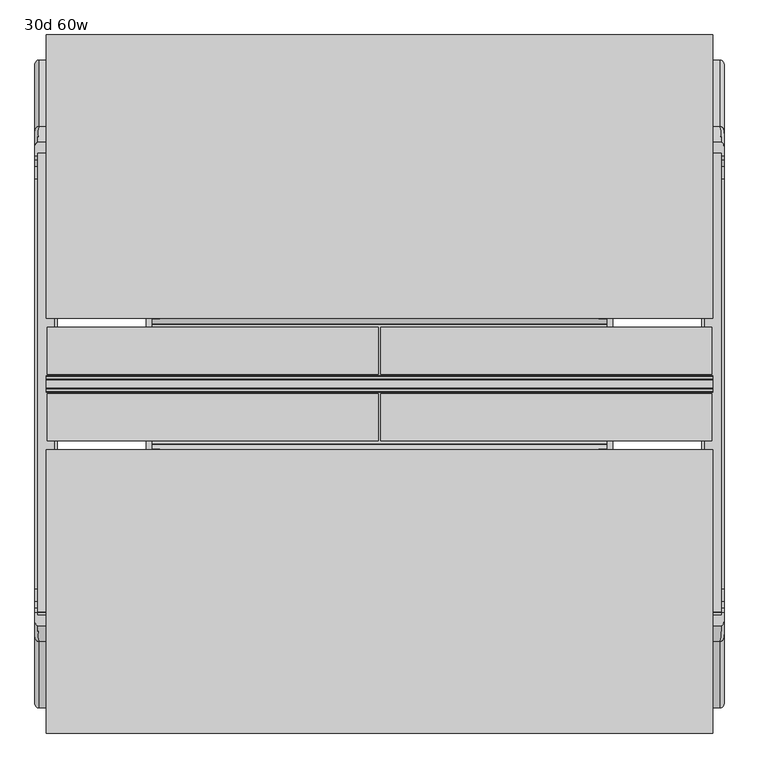
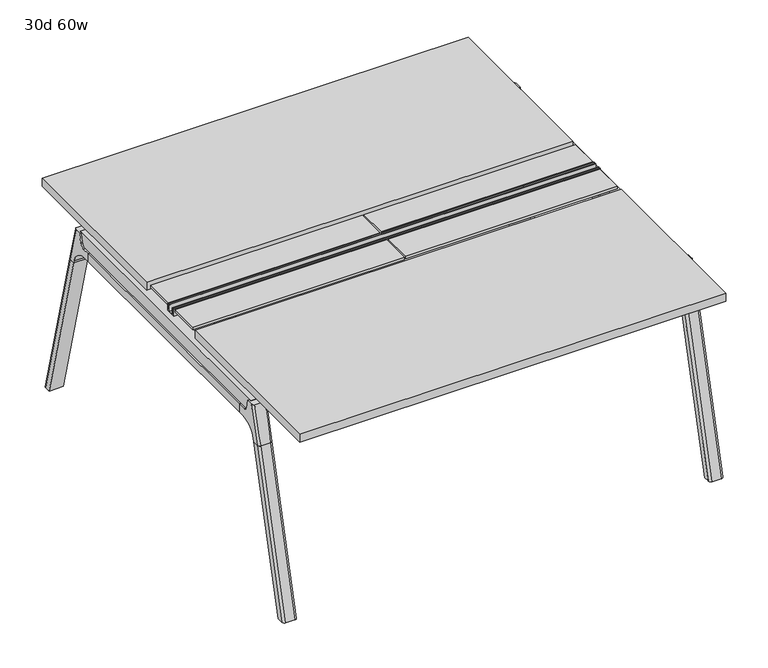
"""IFC4 building model written with IfcOpenShell, lengths in millimetres: furniture geometry, 30d 60w."""

from ifc_helpers import new_model, si_unit, point, frame, frame_2d, origin, place, context, project, spatial, polyline, circle_curve, ellipse_curve, trimmed, segment, composite_curve, outline, extrude, source, transform, mapped, element, save
from ifc_brep_helpers import plane_surface, cylinder_surface, revolved_surface, advanced_brep


def furniture_30d_60w_b16fc37e(model_context):
    return source(origin(), model_context, "Body", "SolidModel", [
        extrude(outline(polyline([(-348.9784469, 559.4636683), (-364.040663, 627.7843353), (-35.4662901, 627.7843353), (-50.5285062, 559.4636683), (-46.7502281, 557.2647146), (-46.7502281, 549.3667827), (-62.6252238, 521.8704736), (-336.8817293, 521.8704736), (-352.756725, 549.3667827), (-352.756725, 557.2647146), (-348.9784469, 559.4636683)])), frame((736.6, 0.0, 0.0), z_axis=(1.0, 0.0, 0.0), x_axis=(0.0, 1.0, 0.0)), (0.0, 0.0, 1.0), 12.7),
        extrude(outline(polyline([(-348.9784469, 559.4636683), (-364.040663, 627.7843353), (-35.4662901, 627.7843353), (-50.5285062, 559.4636683), (-46.7502281, 557.2647146), (-46.7502281, 549.3667827), (-62.6252238, 521.8704736), (-336.8817293, 521.8704736), (-352.756725, 549.3667827), (-352.756725, 557.2647146), (-348.9784469, 559.4636683)])), frame((-317.5, 0.0, 0.0), z_axis=(1.0, 0.0, 0.0), x_axis=(0.0, 1.0, 0.0)), (0.0, 0.0, 1.0), 12.7),
        extrude(outline(polyline([(-18.0090763, 698.5), (3.7767266, 698.5), (3.7767266, 697.2935087), (-17.4495292, 697.2935087), (-19.0070753, 695.7359626), (-49.1186716, 559.1528512), (-50.5285062, 559.4636683), (-20.404074, 696.1050023), (-18.0090763, 698.5)])), frame((-317.5, 0.0, 0.0), z_axis=(1.0, 0.0, 0.0), x_axis=(0.0, 1.0, 0.0)), (0.0, 0.0, 1.0), 31.8008024),
        extrude(outline(polyline([(-381.4978768, 698.5), (-379.1028791, 696.1050023), (-348.9784469, 559.4636683), (-350.3882815, 559.1528512), (-380.4998778, 695.7359626), (-382.0574239, 697.2935087), (-403.2836797, 697.2935087), (-403.2836797, 698.5), (-381.4978768, 698.5)])), frame((-317.5, 0.0, 0.0), z_axis=(1.0, 0.0, 0.0), x_axis=(0.0, 1.0, 0.0)), (0.0, 0.0, 1.0), 31.8008024),
        extrude(outline(polyline([(-18.0090763, 698.5), (3.7767266, 698.5), (3.7767266, 697.2935087), (-17.4495292, 697.2935087), (-19.0070753, 695.7359626), (-49.1186716, 559.1528512), (-50.5285062, 559.4636683), (-20.404074, 696.1050023), (-18.0090763, 698.5)])), frame((717.4991976, 0.0, 0.0), z_axis=(1.0, 0.0, 0.0), x_axis=(0.0, 1.0, 0.0)), (0.0, 0.0, 1.0), 31.8008024),
        extrude(outline(polyline([(-381.4978768, 698.5), (-379.1028791, 696.1050023), (-348.9784469, 559.4636683), (-350.3882815, 559.1528512), (-380.4998778, 695.7359626), (-382.0574239, 697.2935087), (-403.2836797, 697.2935087), (-403.2836797, 698.5), (-381.4978768, 698.5)])), frame((717.4991976, 0.0, 0.0), z_axis=(1.0, 0.0, 0.0), x_axis=(0.0, 1.0, 0.0)), (0.0, 0.0, 1.0), 31.8008024),
        extrude(outline(polyline([(-353.550475, 557.5934966), (-351.518477, 559.6254947), (-350.957211, 559.0642287), (-352.756725, 557.2647146), (-352.756725, 549.3667827), (-352.5317745, 548.5272622), (-337.4390802, 522.3859395), (-336.0037101, 521.5572272), (-63.503243, 521.5572272), (-62.0678729, 522.3859395), (-46.9751786, 548.5272622), (-46.7502281, 549.3667827), (-46.7502281, 557.2647146), (-48.5497421, 559.0642287), (-47.9884761, 559.6254947), (-45.9564781, 557.5934966), (-45.9564781, 549.2622828), (-46.2355217, 548.2208856), (-61.4868074, 521.8048744), (-63.2905581, 520.7634772), (-336.216395, 520.7634772), (-338.0201457, 521.8048744), (-353.2714314, 548.2208856), (-353.550475, 549.2622828), (-353.550475, 557.5934966)])), frame((-317.4492037, 0.0, 0.0), z_axis=(1.0, 0.0, 0.0), x_axis=(0.0, 1.0, 0.0)), (0.0, 0.0, 1.0), 1066.7492037),
        extrude(outline(polyline([(-218.8034766, 715.9625), (-218.8034766, 741.3625), (-217.2159766, 741.3625), (-217.2159766, 720.725), (-210.8659766, 720.725), (-210.8659766, 741.3625), (-209.2784766, 741.3625), (-209.2784766, 717.55), (-190.2284766, 717.55), (-190.2284766, 741.3625), (-188.6409766, 741.3625), (-188.6409766, 720.725), (-182.2909766, 720.725), (-182.2909766, 741.3625), (-180.7034766, 741.3625), (-180.7034766, 715.9625), (-218.8034766, 715.9625)])), frame((-546.1, 0.0, 0.0), z_axis=(1.0, 0.0, 0.0), x_axis=(0.0, 1.0, 0.0)), (0.0, 0.0, 1.0), 1524.0),
        extrude(outline(composite_curve([segment(polyline([(328.0902734, 711.2), (319.0321726, 677.3947076)]), True, "CONTINUOUS"), segment(trimmed(circle_curve(frame_2d((303.6981001, 681.5034599)), 15.875), [point((319.0321726, 677.3947076))], [point((303.6981001, 665.6284599))], False, "CARTESIAN"), True, "CONTINUOUS"), segment(polyline([(303.6981001, 665.6284599), (-703.2050533, 665.6284599)]), True, "CONTINUOUS"), segment(trimmed(circle_curve(frame_2d((-703.2050533, 681.5034599)), 15.875), [point((-703.2050533, 665.6284599))], [point((-718.5391258, 677.3947076))], False, "CARTESIAN"), True, "CONTINUOUS"), segment(polyline([(-718.5391258, 677.3947076), (-727.5972266, 711.2), (328.0902734, 711.2)]), True, "CONTINUOUS")], self_intersect=False)), frame((958.85, 0.0, 0.0), z_axis=(1.0, 0.0, 0.0), x_axis=(0.0, 1.0, 0.0)), (0.0, 0.0, 1.0), 38.1),
        extrude(outline(polyline([(1003.3, 267.7652734), (1003.3, -667.2722266), (952.5, -667.2722266), (952.5, 267.7652734), (1003.3, 267.7652734)])), frame((0.0, 0.0, 635.6476591), z_axis=(0.0, 0.0, 1.0), x_axis=(1.0, 0.0, 0.0)), (0.0, 0.0, 1.0), 29.9808008),
        extrude(outline(composite_curve([segment(polyline([(328.0902734, 711.2), (319.0321726, 677.3947076)]), True, "CONTINUOUS"), segment(trimmed(circle_curve(frame_2d((303.6981001, 681.5034599)), 15.875), [point((319.0321726, 677.3947076))], [point((303.6981001, 665.6284599))], False, "CARTESIAN"), True, "CONTINUOUS"), segment(polyline([(303.6981001, 665.6284599), (-703.2050533, 665.6284599)]), True, "CONTINUOUS"), segment(trimmed(circle_curve(frame_2d((-703.2050533, 681.5034599)), 15.875), [point((-703.2050533, 665.6284599))], [point((-718.5391258, 677.3947076))], False, "CARTESIAN"), True, "CONTINUOUS"), segment(polyline([(-718.5391258, 677.3947076), (-727.5972266, 711.2), (328.0902734, 711.2)]), True, "CONTINUOUS")], self_intersect=False)), frame((-565.15, 0.0, 0.0), z_axis=(1.0, 0.0, 0.0), x_axis=(0.0, 1.0, 0.0)), (0.0, 0.0, 1.0), 38.1),
        extrude(outline(polyline([(-520.7, 267.7652734), (-520.7, -667.2722266), (-571.5, -667.2722266), (-571.5, 267.7652734), (-520.7, 267.7652734)])), frame((0.0, 0.0, 635.6476591), z_axis=(0.0, 0.0, 1.0), x_axis=(1.0, 0.0, 0.0)), (0.0, 0.0, 1.0), 29.9808008),
        advanced_brep(
        [(952.5, -721.2935553, 711.2), (952.5, -712.2354545, 677.3947076), (952.5, -696.901382, 665.6284599), (952.5, -667.2722266, 665.6284599), (952.5, -667.2722266, 635.6476591), (952.5, -690.1434588, 635.6476591), (952.5, -754.5465633, 586.2294189), (952.5, -757.1047754, 576.6820411), (952.5, -778.2087453, 576.6820411), (952.5, -742.7601017, 711.2), (1003.3, -757.1047754, 576.6820411), (1003.3, -754.5465633, 586.2294189), (1003.3, -690.1434588, 635.6476591), (1003.3, -667.2722266, 635.6476591), (1003.3, -667.2722266, 665.6284599), (1003.3, -696.901382, 665.6284599), (1003.3, -712.2354545, 677.3947076), (1003.3, -721.2935553, 711.2), (1003.3, -742.7601017, 711.2), (1003.3, -778.2087453, 576.6820411), (958.7638162, -752.0149462, 711.2), (997.0361838, -752.0149462, 711.2), (993.775, -788.0589247, 576.6820411), (962.025, -788.0589247, 576.6820411)],
        [
            (0, 1),
            (1, 2, circle_curve(frame((952.5, -696.901382, 681.5034599), z_axis=(1.0, 0.0, 0.0), x_axis=(0.0, -1.0, 0.0)), 15.875)),
            (2, 3),
            (3, 4),
            (4, 5),
            (5, 6, circle_curve(frame((952.5, -690.1434588, 568.9726591), z_axis=(1.0, 0.0, 0.0), x_axis=(0.0, -1.0, 0.0)), 66.675)),
            (6, 7),
            (7, 8),
            (8, 9),
            (9, 0),
            (10, 11),
            (11, 12, circle_curve(frame((1003.3, -690.1434588, 568.9726591), z_axis=(-1.0, 0.0, 0.0), x_axis=(0.0, -1.0, 0.0)), 66.675)),
            (12, 13),
            (13, 14),
            (14, 15),
            (15, 16, circle_curve(frame((1003.3, -696.901382, 681.5034599), z_axis=(-1.0, 0.0, 0.0), x_axis=(0.0, -1.0, 0.0)), 15.875)),
            (16, 17),
            (17, 18),
            (18, 19),
            (19, 10),
            (17, 0),
            (9, 20, ellipse_curve(frame((962.025, -742.7601017, 711.2), z_axis=(0.0, 0.0, 1.0), x_axis=(0.0, -1.0, 0.0)), 9.8501793, 9.525)),
            (20, 21),
            (21, 18, ellipse_curve(frame((993.775, -742.7601017, 711.2), z_axis=(0.0, 0.0, 1.0), x_axis=(0.0, -1.0, 0.0)), 9.8501793, 9.525)),
            (16, 1),
            (15, 2),
            (14, 3),
            (13, 4),
            (12, 5),
            (11, 6),
            (10, 7),
            (19, 22, ellipse_curve(frame((993.775, -778.2087453, 576.6820411), z_axis=(0.0, 0.0, -1.0), x_axis=(0.0, -1.0, 0.0)), 9.8501793, 9.525)),
            (22, 23),
            (23, 8, ellipse_curve(frame((962.025, -778.2087453, 576.6820411), z_axis=(0.0, 0.0, -1.0), x_axis=(0.0, -1.0, 0.0)), 9.8501793, 9.525)),
            (20, 23, ellipse_curve(frame((962.025, -191.6892106, 2802.3641142), z_axis=(0.0, -0.9659258262890684, 0.2588190451025206), x_axis=(0.0, -0.2588190451025206, -0.9659258262890684)), 2304.1956354, 9.525)),
            (22, 21, ellipse_curve(frame((993.775, -191.6892106, 2802.3641142), z_axis=(0.0, -0.9659258262890684, 0.2588190451025206), x_axis=(0.0, -0.2588190451025206, -0.9659258262890684)), 2304.1956354, 9.525)),
        ],
        [
            plane_surface(frame((952.5, -752.0149462, 711.2), z_axis=(-1.0, 0.0, 0.0), x_axis=(0.0, 1.0, 0.0))),
            plane_surface(frame((1003.3, -752.0149462, 711.2), z_axis=(1.0, 0.0, 0.0), x_axis=(0.0, -1.0, 0.0))),
            plane_surface(frame((952.5, -752.0149462, 711.2), z_axis=(0.0, 0.0, 1.0), x_axis=(1.0, 0.0, 0.0))),
            plane_surface(frame((952.5, -721.2935553, 711.2), z_axis=(0.0, 0.9659258262890683, 0.2588190451025207), x_axis=(1.0, 0.0, 0.0))),
            revolved_surface(polyline([(1003.3, -712.776382, 681.5034599), (952.5, -712.776382, 681.5034599)]), (1003.3, -696.901382, 681.5034599), (1.0, 0.0, 0.0)),
            plane_surface(frame((952.5, -696.901382, 665.6284599), z_axis=(0.0, 0.0, 1.0), x_axis=(1.0, 0.0, 0.0))),
            plane_surface(frame((952.5, -667.2722266, 665.6284599), z_axis=(0.0, 1.0, 0.0), x_axis=(1.0, 0.0, 0.0))),
            plane_surface(frame((952.5, -667.2722266, 635.6476591), z_axis=(0.0, 0.0, -1.0), x_axis=(1.0, 0.0, 0.0))),
            revolved_surface(polyline([(1003.3, -756.8184587999999, 568.9726591), (952.5, -756.8184587999999, 568.9726591)]), (1003.3, -690.1434588, 568.9726591), (1.0, 0.0, 0.0)),
            plane_surface(frame((952.5, -754.5465633, 586.2294189), z_axis=(0.0, 0.9659258262890693, -0.25881904510251696), x_axis=(1.0, 0.0, 0.0))),
            plane_surface(frame((952.5, -757.1047754, 576.6820411), z_axis=(0.0, 0.0, -1.0), x_axis=(1.0, 0.0, 0.0))),
            plane_surface(frame((952.5, -788.0589247, 576.6820411), z_axis=(0.0, -0.9659258262890684, 0.2588190451025206), x_axis=(1.0, 0.0, 0.0))),
            cylinder_surface(frame((962.025, -930.8176402, -2.4271979), z_axis=(0.0, -0.25482392474081483, -0.966987470125486), x_axis=(1.0, 0.0, 0.0)), 9.525),
            cylinder_surface(frame((993.775, -930.8176402, -2.4271979), z_axis=(0.0, -0.25482392474081483, -0.966987470125486), x_axis=(1.0, 0.0, 0.0)), 9.525),
        ],
        [
            (0, [[1, 2, 3, 4, 5, 6, 7, 8, 9, 10]]),
            (1, [[11, 12, 13, 14, 15, 16, 17, 18, 19, 20]]),
            (2, [[21, -10, 22, 23, 24, -18]]),
            (3, [[-1, -21, -17, 25]]),
            (4, [[-2, -25, -16, 26]]),
            (5, [[-3, -26, -15, 27]]),
            (6, [[-4, -27, -14, 28]]),
            (7, [[-5, -28, -13, 29]]),
            (8, [[-6, -29, -12, 30]]),
            (9, [[-7, -30, -11, 31]]),
            (10, [[-31, -20, 32, 33, 34, -8]]),
            (11, [[-23, 35, -33, 36]]),
            (12, [[-9, -34, -35, -22]]),
            (13, [[-19, -24, -36, -32]]),
        ],
    ),
        advanced_brep(
        [(952.5, -757.1047754, 576.6820411), (952.5, -909.0740466, 0.0), (952.5, -930.1780165, 0.0), (952.5, -778.2087453, 576.6820411), (1003.3, -909.0740466, 0.0), (1003.3, -757.1047754, 576.6820411), (1003.3, -778.2087453, 576.6820411), (1003.3, -930.1780165, 0.0), (962.025, -788.0589247, 576.6820411), (993.775, -788.0589247, 576.6820411), (993.775, -940.0281958, 0.0), (962.025, -940.0281958, 0.0)],
        [
            (0, 1),
            (1, 2),
            (2, 3),
            (3, 0),
            (4, 5),
            (5, 6),
            (6, 7),
            (7, 4),
            (5, 0),
            (3, 8, ellipse_curve(frame((962.025, -778.2087453, 576.6820411), z_axis=(0.0, 0.0, 1.0), x_axis=(0.0, -1.0, 0.0)), 9.8501793, 9.525)),
            (8, 9),
            (9, 6, ellipse_curve(frame((993.775, -778.2087453, 576.6820411), z_axis=(0.0, 0.0, 1.0), x_axis=(0.0, -1.0, 0.0)), 9.8501793, 9.525)),
            (4, 1),
            (7, 10, ellipse_curve(frame((993.775, -930.1780165, 0.0), z_axis=(0.0, 0.0, -1.0), x_axis=(0.0, -1.0, 0.0)), 9.8501793, 9.525)),
            (10, 11),
            (11, 2, ellipse_curve(frame((962.025, -930.1780165, 0.0), z_axis=(0.0, 0.0, -1.0), x_axis=(0.0, -1.0, 0.0)), 9.8501793, 9.525)),
            (8, 11),
            (10, 9),
        ],
        [
            plane_surface(frame((952.5, -788.0589247, 576.6820411), z_axis=(-1.0, 0.0, 0.0), x_axis=(0.0, 1.0, 0.0))),
            plane_surface(frame((1003.3, -788.0589247, 576.6820411), z_axis=(1.0, 0.0, 0.0), x_axis=(0.0, -1.0, 0.0))),
            plane_surface(frame((952.5, -788.0589247, 576.6820411), z_axis=(0.0, 0.0, 1.0), x_axis=(1.0, 0.0, 0.0))),
            plane_surface(frame((952.5, -757.1047754, 576.6820411), z_axis=(0.0, 0.9669874701254844, -0.2548239247408208), x_axis=(1.0, 0.0, 0.0))),
            plane_surface(frame((952.5, -909.0740466, 0.0), z_axis=(0.0, 0.0, -1.0), x_axis=(1.0, 0.0, 0.0))),
            plane_surface(frame((952.5, -940.0281958, 0.0), z_axis=(0.0, -0.9669874701254855, 0.2548239247408166), x_axis=(1.0, 0.0, 0.0))),
            cylinder_surface(frame((962.025, -930.8176402, -2.4271979), z_axis=(0.0, -0.25482392474081483, -0.966987470125486), x_axis=(1.0, 0.0, 0.0)), 9.525),
            cylinder_surface(frame((993.775, -930.8176402, -2.4271979), z_axis=(0.0, -0.25482392474081483, -0.966987470125486), x_axis=(1.0, 0.0, 0.0)), 9.525),
        ],
        [
            (0, [[1, 2, 3, 4]]),
            (1, [[5, 6, 7, 8]]),
            (2, [[9, -4, 10, 11, 12, -6]]),
            (3, [[-1, -9, -5, 13]]),
            (4, [[-13, -8, 14, 15, 16, -2]]),
            (5, [[-11, 17, -15, 18]]),
            (6, [[-3, -16, -17, -10]]),
            (7, [[-7, -12, -18, -14]]),
        ],
    ),
        advanced_brep(
        [(1003.3, 321.7866022, 711.2), (1003.3, 312.7285014, 677.3947076), (1003.3, 297.3944289, 665.6284599), (1003.3, 267.7652734, 665.6284599), (1003.3, 267.7652734, 635.6476591), (1003.3, 290.6365057, 635.6476591), (1003.3, 355.0396101, 586.2294189), (1003.3, 357.5978223, 576.6820411), (1003.3, 378.7017922, 576.6820411), (1003.3, 343.2531486, 711.2), (952.5, 357.5978223, 576.6820411), (952.5, 355.0396101, 586.2294189), (952.5, 290.6365057, 635.6476591), (952.5, 267.7652734, 635.6476591), (952.5, 267.7652734, 665.6284599), (952.5, 297.3944289, 665.6284599), (952.5, 312.7285014, 677.3947076), (952.5, 321.7866022, 711.2), (952.5, 343.2531486, 711.2), (952.5, 378.7017922, 576.6820411), (997.0361838, 352.5079931, 711.2), (958.7638162, 352.5079931, 711.2), (962.025, 388.5519716, 576.6820411), (993.775, 388.5519716, 576.6820411)],
        [
            (0, 1),
            (1, 2, circle_curve(frame((1003.3, 297.3944289, 681.5034599), z_axis=(-1.0, 0.0, 0.0), x_axis=(0.0, 1.0, 0.0)), 15.875)),
            (2, 3),
            (3, 4),
            (4, 5),
            (5, 6, circle_curve(frame((1003.3, 290.6365057, 568.9726591), z_axis=(-1.0, 0.0, 0.0), x_axis=(0.0, 1.0, 0.0)), 66.675)),
            (6, 7),
            (7, 8),
            (8, 9),
            (9, 0),
            (10, 11),
            (11, 12, circle_curve(frame((952.5, 290.6365057, 568.9726591), z_axis=(1.0, 0.0, 0.0), x_axis=(0.0, 1.0, 0.0)), 66.675)),
            (12, 13),
            (13, 14),
            (14, 15),
            (15, 16, circle_curve(frame((952.5, 297.3944289, 681.5034599), z_axis=(1.0, 0.0, 0.0), x_axis=(0.0, 1.0, 0.0)), 15.875)),
            (16, 17),
            (17, 18),
            (18, 19),
            (19, 10),
            (17, 0),
            (9, 20, ellipse_curve(frame((993.775, 343.2531486, 711.2), z_axis=(0.0, 0.0, 1.0), x_axis=(0.0, 1.0, 0.0)), 9.8501793, 9.525)),
            (20, 21),
            (21, 18, ellipse_curve(frame((962.025, 343.2531486, 711.2), z_axis=(0.0, 0.0, 1.0), x_axis=(0.0, 1.0, 0.0)), 9.8501793, 9.525)),
            (16, 1),
            (15, 2),
            (14, 3),
            (13, 4),
            (12, 5),
            (11, 6),
            (10, 7),
            (19, 22, ellipse_curve(frame((962.025, 378.7017922, 576.6820411), z_axis=(0.0, 0.0, -1.0), x_axis=(0.0, 1.0, 0.0)), 9.8501793, 9.525)),
            (22, 23),
            (23, 8, ellipse_curve(frame((993.775, 378.7017922, 576.6820411), z_axis=(0.0, 0.0, -1.0), x_axis=(0.0, 1.0, 0.0)), 9.8501793, 9.525)),
            (20, 23, ellipse_curve(frame((993.775, -207.8177425, 2802.3641142), z_axis=(0.0, 0.9659258262890684, 0.2588190451025206), x_axis=(0.0, 0.2588190451025206, -0.9659258262890684)), 2304.1956354, 9.525)),
            (22, 21, ellipse_curve(frame((962.025, -207.8177425, 2802.3641142), z_axis=(0.0, 0.9659258262890684, 0.2588190451025206), x_axis=(0.0, 0.2588190451025206, -0.9659258262890684)), 2304.1956354, 9.525)),
        ],
        [
            plane_surface(frame((1003.3, 352.5079931, 711.2), z_axis=(1.0, 0.0, 0.0), x_axis=(0.0, -1.0, 0.0))),
            plane_surface(frame((952.5, 352.5079931, 711.2), z_axis=(-1.0, 0.0, 0.0), x_axis=(0.0, 1.0, 0.0))),
            plane_surface(frame((1003.3, 352.5079931, 711.2), z_axis=(0.0, 0.0, 1.0), x_axis=(-1.0, 0.0, 0.0))),
            plane_surface(frame((1003.3, 321.7866022, 711.2), z_axis=(0.0, -0.9659258262890683, 0.2588190451025207), x_axis=(-1.0, 0.0, 0.0))),
            revolved_surface(polyline([(952.5, 313.2694289, 681.5034599), (1003.3, 313.2694289, 681.5034599)]), (952.5, 297.3944289, 681.5034599), (-1.0, 0.0, 0.0)),
            plane_surface(frame((1003.3, 297.3944289, 665.6284599), z_axis=(0.0, 0.0, 1.0), x_axis=(-1.0, 0.0, 0.0))),
            plane_surface(frame((1003.3, 267.7652734, 665.6284599), z_axis=(0.0, -1.0, 0.0), x_axis=(-1.0, 0.0, 0.0))),
            plane_surface(frame((1003.3, 267.7652734, 635.6476591), z_axis=(0.0, 0.0, -1.0), x_axis=(-1.0, 0.0, 0.0))),
            revolved_surface(polyline([(952.5, 357.3115057, 568.9726591), (1003.3, 357.3115057, 568.9726591)]), (952.5, 290.6365057, 568.9726591), (-1.0, 0.0, 0.0)),
            plane_surface(frame((1003.3, 355.0396101, 586.2294189), z_axis=(0.0, -0.9659258262890693, -0.25881904510251696), x_axis=(-1.0, 0.0, 0.0))),
            plane_surface(frame((1003.3, 357.5978223, 576.6820411), z_axis=(0.0, 0.0, -1.0), x_axis=(-1.0, 0.0, 0.0))),
            plane_surface(frame((1003.3, 388.5519716, 576.6820411), z_axis=(0.0, 0.9659258262890684, 0.2588190451025206), x_axis=(-1.0, 0.0, 0.0))),
            cylinder_surface(frame((993.775, 531.3106871, -2.4271979), z_axis=(0.0, 0.25482392474081483, -0.966987470125486), x_axis=(-1.0, 0.0, 0.0)), 9.525),
            cylinder_surface(frame((962.025, 531.3106871, -2.4271979), z_axis=(0.0, 0.25482392474081483, -0.966987470125486), x_axis=(-1.0, 0.0, 0.0)), 9.525),
        ],
        [
            (0, [[1, 2, 3, 4, 5, 6, 7, 8, 9, 10]]),
            (1, [[11, 12, 13, 14, 15, 16, 17, 18, 19, 20]]),
            (2, [[21, -10, 22, 23, 24, -18]]),
            (3, [[-1, -21, -17, 25]]),
            (4, [[-2, -25, -16, 26]]),
            (5, [[-3, -26, -15, 27]]),
            (6, [[-4, -27, -14, 28]]),
            (7, [[-5, -28, -13, 29]]),
            (8, [[-6, -29, -12, 30]]),
            (9, [[-7, -30, -11, 31]]),
            (10, [[-31, -20, 32, 33, 34, -8]]),
            (11, [[-23, 35, -33, 36]]),
            (12, [[-9, -34, -35, -22]]),
            (13, [[-19, -24, -36, -32]]),
        ],
    ),
        advanced_brep(
        [(1003.3, 357.5978223, 576.6820411), (1003.3, 509.5670935, 0.0), (1003.3, 530.6710634, 0.0), (1003.3, 378.7017922, 576.6820411), (952.5, 509.5670935, 0.0), (952.5, 357.5978223, 576.6820411), (952.5, 378.7017922, 576.6820411), (952.5, 530.6710634, 0.0), (993.775, 388.5519716, 576.6820411), (962.025, 388.5519716, 576.6820411), (962.025, 540.5212427, 0.0), (993.775, 540.5212427, 0.0)],
        [
            (0, 1),
            (1, 2),
            (2, 3),
            (3, 0),
            (4, 5),
            (5, 6),
            (6, 7),
            (7, 4),
            (5, 0),
            (3, 8, ellipse_curve(frame((993.775, 378.7017922, 576.6820411), z_axis=(0.0, 0.0, 1.0), x_axis=(0.0, 1.0, 0.0)), 9.8501793, 9.525)),
            (8, 9),
            (9, 6, ellipse_curve(frame((962.025, 378.7017922, 576.6820411), z_axis=(0.0, 0.0, 1.0), x_axis=(0.0, 1.0, 0.0)), 9.8501793, 9.525)),
            (4, 1),
            (7, 10, ellipse_curve(frame((962.025, 530.6710634, 0.0), z_axis=(0.0, 0.0, -1.0), x_axis=(0.0, 1.0, 0.0)), 9.8501793, 9.525)),
            (10, 11),
            (11, 2, ellipse_curve(frame((993.775, 530.6710634, 0.0), z_axis=(0.0, 0.0, -1.0), x_axis=(0.0, 1.0, 0.0)), 9.8501793, 9.525)),
            (8, 11),
            (10, 9),
        ],
        [
            plane_surface(frame((1003.3, 388.5519716, 576.6820411), z_axis=(1.0, 0.0, 0.0), x_axis=(0.0, -1.0, 0.0))),
            plane_surface(frame((952.5, 388.5519716, 576.6820411), z_axis=(-1.0, 0.0, 0.0), x_axis=(0.0, 1.0, 0.0))),
            plane_surface(frame((1003.3, 388.5519716, 576.6820411), z_axis=(0.0, 0.0, 1.0), x_axis=(-1.0, 0.0, 0.0))),
            plane_surface(frame((1003.3, 357.5978223, 576.6820411), z_axis=(0.0, -0.9669874701254844, -0.2548239247408208), x_axis=(-1.0, 0.0, 0.0))),
            plane_surface(frame((1003.3, 509.5670935, 0.0), z_axis=(0.0, 0.0, -1.0), x_axis=(-1.0, 0.0, 0.0))),
            plane_surface(frame((1003.3, 540.5212427, 0.0), z_axis=(0.0, 0.9669874701254855, 0.2548239247408166), x_axis=(-1.0, 0.0, 0.0))),
            cylinder_surface(frame((993.775, 531.3106871, -2.4271979), z_axis=(0.0, 0.25482392474081483, -0.966987470125486), x_axis=(-1.0, 0.0, 0.0)), 9.525),
            cylinder_surface(frame((962.025, 531.3106871, -2.4271979), z_axis=(0.0, 0.25482392474081483, -0.966987470125486), x_axis=(-1.0, 0.0, 0.0)), 9.525),
        ],
        [
            (0, [[1, 2, 3, 4]]),
            (1, [[5, 6, 7, 8]]),
            (2, [[9, -4, 10, 11, 12, -6]]),
            (3, [[-1, -9, -5, 13]]),
            (4, [[-13, -8, 14, 15, 16, -2]]),
            (5, [[-11, 17, -15, 18]]),
            (6, [[-3, -16, -17, -10]]),
            (7, [[-7, -12, -18, -14]]),
        ],
    ),
        advanced_brep(
        [(-520.7, 321.7866022, 711.2), (-520.7, 312.7285014, 677.3947076), (-520.7, 297.3944289, 665.6284599), (-520.7, 267.7652734, 665.6284599), (-520.7, 267.7652734, 635.6476591), (-520.7, 290.6365057, 635.6476591), (-520.7, 355.0396101, 586.2294189), (-520.7, 357.5978223, 576.6820411), (-520.7, 378.7017922, 576.6820411), (-520.7, 343.2531486, 711.2), (-571.5, 357.5978223, 576.6820411), (-571.5, 355.0396101, 586.2294189), (-571.5, 290.6365057, 635.6476591), (-571.5, 267.7652734, 635.6476591), (-571.5, 267.7652734, 665.6284599), (-571.5, 297.3944289, 665.6284599), (-571.5, 312.7285014, 677.3947076), (-571.5, 321.7866022, 711.2), (-571.5, 343.2531486, 711.2), (-571.5, 378.7017922, 576.6820411), (-526.9638162, 352.5079931, 711.2), (-565.2361838, 352.5079931, 711.2), (-561.975, 388.5519716, 576.6820411), (-530.225, 388.5519716, 576.6820411)],
        [
            (0, 1),
            (1, 2, circle_curve(frame((-520.7, 297.3944289, 681.5034599), z_axis=(-1.0, 0.0, 0.0), x_axis=(0.0, 1.0, 0.0)), 15.875)),
            (2, 3),
            (3, 4),
            (4, 5),
            (5, 6, circle_curve(frame((-520.7, 290.6365057, 568.9726591), z_axis=(-1.0, 0.0, 0.0), x_axis=(0.0, 1.0, 0.0)), 66.675)),
            (6, 7),
            (7, 8),
            (8, 9),
            (9, 0),
            (10, 11),
            (11, 12, circle_curve(frame((-571.5, 290.6365057, 568.9726591), z_axis=(1.0, 0.0, 0.0), x_axis=(0.0, 1.0, 0.0)), 66.675)),
            (12, 13),
            (13, 14),
            (14, 15),
            (15, 16, circle_curve(frame((-571.5, 297.3944289, 681.5034599), z_axis=(1.0, 0.0, 0.0), x_axis=(0.0, 1.0, 0.0)), 15.875)),
            (16, 17),
            (17, 18),
            (18, 19),
            (19, 10),
            (17, 0),
            (9, 20, ellipse_curve(frame((-530.225, 343.2531486, 711.2), z_axis=(0.0, 0.0, 1.0), x_axis=(0.0, 1.0, 0.0)), 9.8501793, 9.525)),
            (20, 21),
            (21, 18, ellipse_curve(frame((-561.975, 343.2531486, 711.2), z_axis=(0.0, 0.0, 1.0), x_axis=(0.0, 1.0, 0.0)), 9.8501793, 9.525)),
            (16, 1),
            (15, 2),
            (14, 3),
            (13, 4),
            (12, 5),
            (11, 6),
            (10, 7),
            (19, 22, ellipse_curve(frame((-561.975, 378.7017922, 576.6820411), z_axis=(0.0, 0.0, -1.0), x_axis=(0.0, 1.0, 0.0)), 9.8501793, 9.525)),
            (22, 23),
            (23, 8, ellipse_curve(frame((-530.225, 378.7017922, 576.6820411), z_axis=(0.0, 0.0, -1.0), x_axis=(0.0, 1.0, 0.0)), 9.8501793, 9.525)),
            (20, 23, ellipse_curve(frame((-530.225, -207.8177425, 2802.3641142), z_axis=(0.0, 0.9659258262890684, 0.2588190451025206), x_axis=(0.0, 0.2588190451025206, -0.9659258262890684)), 2304.1956354, 9.525)),
            (22, 21, ellipse_curve(frame((-561.975, -207.8177425, 2802.3641142), z_axis=(0.0, 0.9659258262890684, 0.2588190451025206), x_axis=(0.0, 0.2588190451025206, -0.9659258262890684)), 2304.1956354, 9.525)),
        ],
        [
            plane_surface(frame((-520.7, 352.5079931, 711.2), z_axis=(1.0, 0.0, 0.0), x_axis=(0.0, -1.0, 0.0))),
            plane_surface(frame((-571.5, 352.5079931, 711.2), z_axis=(-1.0, 0.0, 0.0), x_axis=(0.0, 1.0, 0.0))),
            plane_surface(frame((-520.7, 352.5079931, 711.2), z_axis=(0.0, 0.0, 1.0), x_axis=(-1.0, 0.0, 0.0))),
            plane_surface(frame((-520.7, 321.7866022, 711.2), z_axis=(0.0, -0.9659258262890683, 0.2588190451025207), x_axis=(-1.0, 0.0, 0.0))),
            revolved_surface(polyline([(-571.5, 313.2694289, 681.5034599), (-520.7, 313.2694289, 681.5034599)]), (-571.5, 297.3944289, 681.5034599), (-1.0, 0.0, 0.0)),
            plane_surface(frame((-520.7, 297.3944289, 665.6284599), z_axis=(0.0, 0.0, 1.0), x_axis=(-1.0, 0.0, 0.0))),
            plane_surface(frame((-520.7, 267.7652734, 665.6284599), z_axis=(0.0, -1.0, 0.0), x_axis=(-1.0, 0.0, 0.0))),
            plane_surface(frame((-520.7, 267.7652734, 635.6476591), z_axis=(0.0, 0.0, -1.0), x_axis=(-1.0, 0.0, 0.0))),
            revolved_surface(polyline([(-571.5, 357.3115057, 568.9726591), (-520.7, 357.3115057, 568.9726591)]), (-571.5, 290.6365057, 568.9726591), (-1.0, 0.0, 0.0)),
            plane_surface(frame((-520.7, 355.0396101, 586.2294189), z_axis=(0.0, -0.9659258262890693, -0.25881904510251696), x_axis=(-1.0, 0.0, 0.0))),
            plane_surface(frame((-520.7, 357.5978223, 576.6820411), z_axis=(0.0, 0.0, -1.0), x_axis=(-1.0, 0.0, 0.0))),
            plane_surface(frame((-520.7, 388.5519716, 576.6820411), z_axis=(0.0, 0.9659258262890684, 0.2588190451025206), x_axis=(-1.0, 0.0, 0.0))),
            cylinder_surface(frame((-530.225, 531.3106871, -2.4271979), z_axis=(0.0, 0.25482392474081483, -0.966987470125486), x_axis=(-1.0, 0.0, 0.0)), 9.525),
            cylinder_surface(frame((-561.975, 531.3106871, -2.4271979), z_axis=(0.0, 0.25482392474081483, -0.966987470125486), x_axis=(-1.0, 0.0, 0.0)), 9.525),
        ],
        [
            (0, [[1, 2, 3, 4, 5, 6, 7, 8, 9, 10]]),
            (1, [[11, 12, 13, 14, 15, 16, 17, 18, 19, 20]]),
            (2, [[21, -10, 22, 23, 24, -18]]),
            (3, [[-1, -21, -17, 25]]),
            (4, [[-2, -25, -16, 26]]),
            (5, [[-3, -26, -15, 27]]),
            (6, [[-4, -27, -14, 28]]),
            (7, [[-5, -28, -13, 29]]),
            (8, [[-6, -29, -12, 30]]),
            (9, [[-7, -30, -11, 31]]),
            (10, [[-31, -20, 32, 33, 34, -8]]),
            (11, [[-23, 35, -33, 36]]),
            (12, [[-9, -34, -35, -22]]),
            (13, [[-19, -24, -36, -32]]),
        ],
    ),
        advanced_brep(
        [(-520.7, 357.5978223, 576.6820411), (-520.7, 509.5670935, 0.0), (-520.7, 530.6710634, 0.0), (-520.7, 378.7017922, 576.6820411), (-571.5, 509.5670935, 0.0), (-571.5, 357.5978223, 576.6820411), (-571.5, 378.7017922, 576.6820411), (-571.5, 530.6710634, 0.0), (-530.225, 388.5519716, 576.6820411), (-561.975, 388.5519716, 576.6820411), (-561.975, 540.5212427, 0.0), (-530.225, 540.5212427, 0.0)],
        [
            (0, 1),
            (1, 2),
            (2, 3),
            (3, 0),
            (4, 5),
            (5, 6),
            (6, 7),
            (7, 4),
            (5, 0),
            (3, 8, ellipse_curve(frame((-530.225, 378.7017922, 576.6820411), z_axis=(0.0, 0.0, 1.0), x_axis=(0.0, 1.0, 0.0)), 9.8501793, 9.525)),
            (8, 9),
            (9, 6, ellipse_curve(frame((-561.975, 378.7017922, 576.6820411), z_axis=(0.0, 0.0, 1.0), x_axis=(0.0, 1.0, 0.0)), 9.8501793, 9.525)),
            (4, 1),
            (7, 10, ellipse_curve(frame((-561.975, 530.6710634, 0.0), z_axis=(0.0, 0.0, -1.0), x_axis=(0.0, 1.0, 0.0)), 9.8501793, 9.525)),
            (10, 11),
            (11, 2, ellipse_curve(frame((-530.225, 530.6710634, 0.0), z_axis=(0.0, 0.0, -1.0), x_axis=(0.0, 1.0, 0.0)), 9.8501793, 9.525)),
            (8, 11),
            (10, 9),
        ],
        [
            plane_surface(frame((-520.7, 388.5519716, 576.6820411), z_axis=(1.0, 0.0, 0.0), x_axis=(0.0, -1.0, 0.0))),
            plane_surface(frame((-571.5, 388.5519716, 576.6820411), z_axis=(-1.0, 0.0, 0.0), x_axis=(0.0, 1.0, 0.0))),
            plane_surface(frame((-520.7, 388.5519716, 576.6820411), z_axis=(0.0, 0.0, 1.0), x_axis=(-1.0, 0.0, 0.0))),
            plane_surface(frame((-520.7, 357.5978223, 576.6820411), z_axis=(0.0, -0.9669874701254844, -0.2548239247408208), x_axis=(-1.0, 0.0, 0.0))),
            plane_surface(frame((-520.7, 509.5670935, 0.0), z_axis=(0.0, 0.0, -1.0), x_axis=(-1.0, 0.0, 0.0))),
            plane_surface(frame((-520.7, 540.5212427, 0.0), z_axis=(0.0, 0.9669874701254855, 0.2548239247408166), x_axis=(-1.0, 0.0, 0.0))),
            cylinder_surface(frame((-530.225, 531.3106871, -2.4271979), z_axis=(0.0, 0.25482392474081483, -0.966987470125486), x_axis=(-1.0, 0.0, 0.0)), 9.525),
            cylinder_surface(frame((-561.975, 531.3106871, -2.4271979), z_axis=(0.0, 0.25482392474081483, -0.966987470125486), x_axis=(-1.0, 0.0, 0.0)), 9.525),
        ],
        [
            (0, [[1, 2, 3, 4]]),
            (1, [[5, 6, 7, 8]]),
            (2, [[9, -4, 10, 11, 12, -6]]),
            (3, [[-1, -9, -5, 13]]),
            (4, [[-13, -8, 14, 15, 16, -2]]),
            (5, [[-11, 17, -15, 18]]),
            (6, [[-3, -16, -17, -10]]),
            (7, [[-7, -12, -18, -14]]),
        ],
    ),
        advanced_brep(
        [(-571.5, -721.2935553, 711.2), (-571.5, -712.2354545, 677.3947076), (-571.5, -696.901382, 665.6284599), (-571.5, -667.2722266, 665.6284599), (-571.5, -667.2722266, 635.6476591), (-571.5, -690.1434588, 635.6476591), (-571.5, -754.5465633, 586.2294189), (-571.5, -757.1047754, 576.6820411), (-571.5, -778.2087453, 576.6820411), (-571.5, -742.7601017, 711.2), (-520.7, -757.1047754, 576.6820411), (-520.7, -754.5465633, 586.2294189), (-520.7, -690.1434588, 635.6476591), (-520.7, -667.2722266, 635.6476591), (-520.7, -667.2722266, 665.6284599), (-520.7, -696.901382, 665.6284599), (-520.7, -712.2354545, 677.3947076), (-520.7, -721.2935553, 711.2), (-520.7, -742.7601017, 711.2), (-520.7, -778.2087453, 576.6820411), (-565.2361838, -752.0149462, 711.2), (-526.9638162, -752.0149462, 711.2), (-530.225, -788.0589247, 576.6820411), (-561.975, -788.0589247, 576.6820411)],
        [
            (0, 1),
            (1, 2, circle_curve(frame((-571.5, -696.901382, 681.5034599), z_axis=(1.0, 0.0, 0.0), x_axis=(0.0, -1.0, 0.0)), 15.875)),
            (2, 3),
            (3, 4),
            (4, 5),
            (5, 6, circle_curve(frame((-571.5, -690.1434588, 568.9726591), z_axis=(1.0, 0.0, 0.0), x_axis=(0.0, -1.0, 0.0)), 66.675)),
            (6, 7),
            (7, 8),
            (8, 9),
            (9, 0),
            (10, 11),
            (11, 12, circle_curve(frame((-520.7, -690.1434588, 568.9726591), z_axis=(-1.0, 0.0, 0.0), x_axis=(0.0, -1.0, 0.0)), 66.675)),
            (12, 13),
            (13, 14),
            (14, 15),
            (15, 16, circle_curve(frame((-520.7, -696.901382, 681.5034599), z_axis=(-1.0, 0.0, 0.0), x_axis=(0.0, -1.0, 0.0)), 15.875)),
            (16, 17),
            (17, 18),
            (18, 19),
            (19, 10),
            (17, 0),
            (9, 20, ellipse_curve(frame((-561.975, -742.7601017, 711.2), z_axis=(0.0, 0.0, 1.0), x_axis=(0.0, -1.0, 0.0)), 9.8501793, 9.525)),
            (20, 21),
            (21, 18, ellipse_curve(frame((-530.225, -742.7601017, 711.2), z_axis=(0.0, 0.0, 1.0), x_axis=(0.0, -1.0, 0.0)), 9.8501793, 9.525)),
            (16, 1),
            (15, 2),
            (14, 3),
            (13, 4),
            (12, 5),
            (11, 6),
            (10, 7),
            (19, 22, ellipse_curve(frame((-530.225, -778.2087453, 576.6820411), z_axis=(0.0, 0.0, -1.0), x_axis=(0.0, -1.0, 0.0)), 9.8501793, 9.525)),
            (22, 23),
            (23, 8, ellipse_curve(frame((-561.975, -778.2087453, 576.6820411), z_axis=(0.0, 0.0, -1.0), x_axis=(0.0, -1.0, 0.0)), 9.8501793, 9.525)),
            (20, 23, ellipse_curve(frame((-561.975, -191.6892106, 2802.3641142), z_axis=(0.0, -0.9659258262890684, 0.2588190451025206), x_axis=(0.0, -0.2588190451025206, -0.9659258262890684)), 2304.1956354, 9.525)),
            (22, 21, ellipse_curve(frame((-530.225, -191.6892106, 2802.3641142), z_axis=(0.0, -0.9659258262890684, 0.2588190451025206), x_axis=(0.0, -0.2588190451025206, -0.9659258262890684)), 2304.1956354, 9.525)),
        ],
        [
            plane_surface(frame((-571.5, -752.0149462, 711.2), z_axis=(-1.0, 0.0, 0.0), x_axis=(0.0, 1.0, 0.0))),
            plane_surface(frame((-520.7, -752.0149462, 711.2), z_axis=(1.0, 0.0, 0.0), x_axis=(0.0, -1.0, 0.0))),
            plane_surface(frame((-571.5, -752.0149462, 711.2), z_axis=(0.0, 0.0, 1.0), x_axis=(1.0, 0.0, 0.0))),
            plane_surface(frame((-571.5, -721.2935553, 711.2), z_axis=(0.0, 0.9659258262890683, 0.2588190451025207), x_axis=(1.0, 0.0, 0.0))),
            revolved_surface(polyline([(-520.7, -712.776382, 681.5034599), (-571.5, -712.776382, 681.5034599)]), (-520.7, -696.901382, 681.5034599), (1.0, 0.0, 0.0)),
            plane_surface(frame((-571.5, -696.901382, 665.6284599), z_axis=(0.0, 0.0, 1.0), x_axis=(1.0, 0.0, 0.0))),
            plane_surface(frame((-571.5, -667.2722266, 665.6284599), z_axis=(0.0, 1.0, 0.0), x_axis=(1.0, 0.0, 0.0))),
            plane_surface(frame((-571.5, -667.2722266, 635.6476591), z_axis=(0.0, 0.0, -1.0), x_axis=(1.0, 0.0, 0.0))),
            revolved_surface(polyline([(-520.7, -756.8184587999999, 568.9726591), (-571.5, -756.8184587999999, 568.9726591)]), (-520.7, -690.1434588, 568.9726591), (1.0, 0.0, 0.0)),
            plane_surface(frame((-571.5, -754.5465633, 586.2294189), z_axis=(0.0, 0.9659258262890693, -0.25881904510251696), x_axis=(1.0, 0.0, 0.0))),
            plane_surface(frame((-571.5, -757.1047754, 576.6820411), z_axis=(0.0, 0.0, -1.0), x_axis=(1.0, 0.0, 0.0))),
            plane_surface(frame((-571.5, -788.0589247, 576.6820411), z_axis=(0.0, -0.9659258262890684, 0.2588190451025206), x_axis=(1.0, 0.0, 0.0))),
            cylinder_surface(frame((-561.975, -930.8176402, -2.4271979), z_axis=(0.0, -0.25482392474081483, -0.966987470125486), x_axis=(1.0, 0.0, 0.0)), 9.525),
            cylinder_surface(frame((-530.225, -930.8176402, -2.4271979), z_axis=(0.0, -0.25482392474081483, -0.966987470125486), x_axis=(1.0, 0.0, 0.0)), 9.525),
        ],
        [
            (0, [[1, 2, 3, 4, 5, 6, 7, 8, 9, 10]]),
            (1, [[11, 12, 13, 14, 15, 16, 17, 18, 19, 20]]),
            (2, [[21, -10, 22, 23, 24, -18]]),
            (3, [[-1, -21, -17, 25]]),
            (4, [[-2, -25, -16, 26]]),
            (5, [[-3, -26, -15, 27]]),
            (6, [[-4, -27, -14, 28]]),
            (7, [[-5, -28, -13, 29]]),
            (8, [[-6, -29, -12, 30]]),
            (9, [[-7, -30, -11, 31]]),
            (10, [[-31, -20, 32, 33, 34, -8]]),
            (11, [[-23, 35, -33, 36]]),
            (12, [[-9, -34, -35, -22]]),
            (13, [[-19, -24, -36, -32]]),
        ],
    ),
        advanced_brep(
        [(-571.5, -757.1047754, 576.6820411), (-571.5, -909.0740466, 0.0), (-571.5, -930.1780165, 0.0), (-571.5, -778.2087453, 576.6820411), (-520.7, -909.0740466, 0.0), (-520.7, -757.1047754, 576.6820411), (-520.7, -778.2087453, 576.6820411), (-520.7, -930.1780165, 0.0), (-561.975, -788.0589247, 576.6820411), (-530.225, -788.0589247, 576.6820411), (-530.225, -940.0281958, 0.0), (-561.975, -940.0281958, 0.0)],
        [
            (0, 1),
            (1, 2),
            (2, 3),
            (3, 0),
            (4, 5),
            (5, 6),
            (6, 7),
            (7, 4),
            (5, 0),
            (3, 8, ellipse_curve(frame((-561.975, -778.2087453, 576.6820411), z_axis=(0.0, 0.0, 1.0), x_axis=(0.0, -1.0, 0.0)), 9.8501793, 9.525)),
            (8, 9),
            (9, 6, ellipse_curve(frame((-530.225, -778.2087453, 576.6820411), z_axis=(0.0, 0.0, 1.0), x_axis=(0.0, -1.0, 0.0)), 9.8501793, 9.525)),
            (4, 1),
            (7, 10, ellipse_curve(frame((-530.225, -930.1780165, 0.0), z_axis=(0.0, 0.0, -1.0), x_axis=(0.0, -1.0, 0.0)), 9.8501793, 9.525)),
            (10, 11),
            (11, 2, ellipse_curve(frame((-561.975, -930.1780165, 0.0), z_axis=(0.0, 0.0, -1.0), x_axis=(0.0, -1.0, 0.0)), 9.8501793, 9.525)),
            (8, 11),
            (10, 9),
        ],
        [
            plane_surface(frame((-571.5, -788.0589247, 576.6820411), z_axis=(-1.0, 0.0, 0.0), x_axis=(0.0, 1.0, 0.0))),
            plane_surface(frame((-520.7, -788.0589247, 576.6820411), z_axis=(1.0, 0.0, 0.0), x_axis=(0.0, -1.0, 0.0))),
            plane_surface(frame((-571.5, -788.0589247, 576.6820411), z_axis=(0.0, 0.0, 1.0), x_axis=(1.0, 0.0, 0.0))),
            plane_surface(frame((-571.5, -757.1047754, 576.6820411), z_axis=(0.0, 0.9669874701254844, -0.2548239247408208), x_axis=(1.0, 0.0, 0.0))),
            plane_surface(frame((-571.5, -909.0740466, 0.0), z_axis=(0.0, 0.0, -1.0), x_axis=(1.0, 0.0, 0.0))),
            plane_surface(frame((-571.5, -940.0281958, 0.0), z_axis=(0.0, -0.9669874701254855, 0.2548239247408166), x_axis=(1.0, 0.0, 0.0))),
            cylinder_surface(frame((-561.975, -930.8176402, -2.4271979), z_axis=(0.0, -0.25482392474081483, -0.966987470125486), x_axis=(1.0, 0.0, 0.0)), 9.525),
            cylinder_surface(frame((-530.225, -930.8176402, -2.4271979), z_axis=(0.0, -0.25482392474081483, -0.966987470125486), x_axis=(1.0, 0.0, 0.0)), 9.525),
        ],
        [
            (0, [[1, 2, 3, 4]]),
            (1, [[5, 6, 7, 8]]),
            (2, [[9, -4, 10, 11, 12, -6]]),
            (3, [[-1, -9, -5, 13]]),
            (4, [[-13, -8, 14, 15, 16, -2]]),
            (5, [[-11, 17, -15, 18]]),
            (6, [[-3, -16, -17, -10]]),
            (7, [[-7, -12, -18, -14]]),
        ],
    ),
        extrude(outline(polyline([(-546.1, -49.7347266), (-546.1, 597.9652734), (977.9, 597.9652734), (977.9, -49.7347266), (-546.1, -49.7347266)])), frame((0.0, 0.0, 711.2), z_axis=(0.0, 0.0, 1.0), x_axis=(1.0, 0.0, 0.0)), (0.0, 0.0, 1.0), 30.1625),
        extrude(outline(polyline([(977.9, -349.7722266), (977.9, -997.4722266), (-546.1, -997.4722266), (-546.1, -349.7722266), (977.9, -349.7722266)])), frame((0.0, 0.0, 711.2), z_axis=(0.0, 0.0, 1.0), x_axis=(1.0, 0.0, 0.0)), (0.0, 0.0, 1.0), 30.1625),
        extrude(outline(polyline([(212.725, -69.5784766), (212.725, -177.5284766), (-542.925, -177.5284766), (-542.925, -69.5784766), (212.725, -69.5784766)])), frame((0.0, 0.0, 731.8375), z_axis=(0.0, 0.0, 1.0), x_axis=(1.0, 0.0, 0.0)), (0.0, 0.0, 1.0), 9.525),
        extrude(outline(polyline([(212.725, -221.9784766), (212.725, -329.9284766), (-542.925, -329.9284766), (-542.925, -221.9784766), (212.725, -221.9784766)])), frame((0.0, 0.0, 731.8375), z_axis=(0.0, 0.0, 1.0), x_axis=(1.0, 0.0, 0.0)), (0.0, 0.0, 1.0), 9.525),
        extrude(outline(polyline([(974.725, -69.5784766), (974.725, -177.5284766), (219.075, -177.5284766), (219.075, -69.5784766), (974.725, -69.5784766)])), frame((0.0, 0.0, 731.8375), z_axis=(0.0, 0.0, 1.0), x_axis=(1.0, 0.0, 0.0)), (0.0, 0.0, 1.0), 9.525),
        extrude(outline(polyline([(974.725, -221.9784766), (974.725, -329.9284766), (219.075, -329.9284766), (219.075, -221.9784766), (974.725, -221.9784766)])), frame((0.0, 0.0, 731.8375), z_axis=(0.0, 0.0, 1.0), x_axis=(1.0, 0.0, 0.0)), (0.0, 0.0, 1.0), 9.525),
        extrude(outline(polyline([(952.5, 9.7965234), (952.5, -21.9534766), (-520.7, -21.9534766), (-520.7, 9.7965234), (952.5, 9.7965234)])), frame((0.0, 0.0, 646.1125), z_axis=(0.0, 0.0, 1.0), x_axis=(1.0, 0.0, 0.0)), (0.0, 0.0, 1.0), 50.8),
        extrude(outline(polyline([(952.5, -377.5534766), (952.5, -409.3034766), (-520.7, -409.3034766), (-520.7, -377.5534766), (952.5, -377.5534766)])), frame((0.0, 0.0, 646.1125), z_axis=(0.0, 0.0, 1.0), x_axis=(1.0, 0.0, 0.0)), (0.0, 0.0, 1.0), 50.8),
    ])


if __name__ == "__main__":
    model = new_model("IFC4")
    model_context = context("Model", 3, world=origin())
    ifc_project = project(units=[si_unit("LENGTHUNIT", "METRE", prefix="MILLI")], contexts=[model_context])
    site = spatial("IfcSite", under=ifc_project)
    building = spatial("IfcBuilding", under=site)
    placement = place(None, origin())
    furniture_30d_60w_shape = furniture_30d_60w_b16fc37e(model_context)
    element("IfcFurniture", 1, ObjectType="30d 60w", at=placement, inside=building, context=model_context, shape_type="MappedRepresentation", body=[
        mapped(furniture_30d_60w_shape, transform((0.0, 0.0, 0.0), x_axis=(1.0, 0.0, 0.0), y_axis=(0.0, 1.0, 0.0), z_axis=(0.0, 0.0, 1.0))),
    ])
    save(model, "model.ifc")
